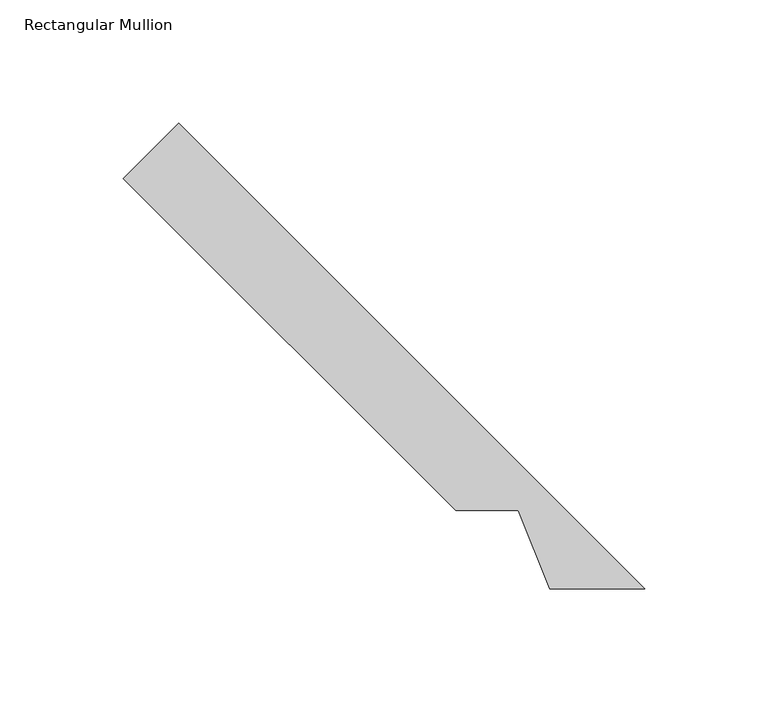
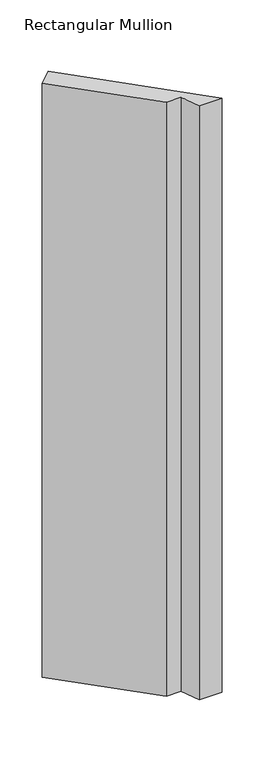
"""IFC4 building model written with IfcOpenShell, lengths in millimetres: member geometry, Rectangular Mullion."""

import ifcopenshell
import ifcopenshell.guid

model = None  # the IFC model being written
_history = None  # IfcOwnerHistory: only IFC2X3 demands one
_inside = {}  # id of a spatial element -> (the spatial element, [elements in it])
_under = {}  # id of a project, library or spatial element -> (it, [spatial elements below it])
_declared = {}  # id of a project -> (the project, [libraries it declares])
_typed = {}  # id of a type object -> (the type object, [elements of that type])
_made_of = {}  # id of a material, layer set ... -> (it, [elements and type objects made of it])


def new_model(schema):
    """Start an empty IFC model of exactly this schema.

    Asked for "IFC4X3", IfcOpenShell would pick the latest addendum, in which some entities
    have other attributes; the version numbers below select the first issue.
    IFC2X3 requires an IfcOwnerHistory on every rooted entity: one is made here for all.
    """
    global model, _history
    if schema == "IFC4X3":
        model = ifcopenshell.file(schema_version=(4, 3, 0, 0))
    else:
        model = ifcopenshell.file(schema=schema)
    _inside.clear()
    _under.clear()
    _declared.clear()
    _typed.clear()
    _made_of.clear()
    _history = None
    if model.schema == "IFC2X3":
        org = make("IfcOrganization", Name="unknown")
        user = make(
            "IfcPersonAndOrganization",
            ThePerson=make("IfcPerson", FamilyName="unknown"),
            TheOrganization=org,
        )
        app = make(
            "IfcApplication",
            ApplicationDeveloper=org,
            Version="unknown",
            ApplicationFullName="unknown",
            ApplicationIdentifier="unknown",
        )
        _history = make(
            "IfcOwnerHistory",
            OwningUser=user,
            OwningApplication=app,
            ChangeAction="ADDED",
            CreationDate=0,
        )
    return model


def make(cls, **values):
    """One entity of the class cls with the attributes given. An attribute that is None is left unset."""
    return model.create_entity(
        cls, **{name: value for name, value in values.items() if value is not None}
    )


def rooted(cls, **values):
    """An entity with a GlobalId (a new one), such as an element, a storey or a relation."""
    return make(cls, GlobalId=ifcopenshell.guid.new(), OwnerHistory=_history, **values)


def si_unit(unit_type, name, prefix=None):
    """IfcSIUnit, for example si_unit("LENGTHUNIT", "METRE", prefix="MILLI")."""
    return make("IfcSIUnit", UnitType=unit_type, Prefix=prefix, Name=name)


def assignment(units):
    """IfcUnitAssignment: the units of a project."""
    return None if units is None else make("IfcUnitAssignment", Units=units)


def point(xyz):
    """IfcCartesianPoint."""
    return None if xyz is None else make("IfcCartesianPoint", Coordinates=xyz)


def direction(xyz):
    """IfcDirection."""
    return None if xyz is None else make("IfcDirection", DirectionRatios=xyz)


def frame(location, z_axis=None, x_axis=None):
    """IfcAxis2Placement3D, a coordinate frame: its origin and axes. An axis left out is left unset."""
    return make(
        "IfcAxis2Placement3D",
        Location=point(location),
        Axis=direction(z_axis),
        RefDirection=direction(x_axis),
    )


def origin():
    """The frame at (0, 0, 0) with its axes left unset."""
    return frame((0.0, 0.0, 0.0))


def place(relative_to, where):
    """IfcLocalPlacement: puts the frame where relative to a parent placement (None: the world)."""
    return make(
        "IfcLocalPlacement", PlacementRelTo=relative_to, RelativePlacement=where
    )


def context(
    kind, dimensions, precision=None, world=None, true_north=None, identifier=None
):
    """IfcGeometricRepresentationContext, for example the 3D "Model" context."""
    return make(
        "IfcGeometricRepresentationContext",
        ContextIdentifier=identifier,
        ContextType=kind,
        CoordinateSpaceDimension=dimensions,
        Precision=precision,
        WorldCoordinateSystem=world,
        TrueNorth=true_north,
    )


def project(units=None, contexts=None):
    """IfcProject with its units and contexts."""
    return rooted(
        "IfcProject",
        Name="project",
        RepresentationContexts=contexts,
        UnitsInContext=assignment(units),
    )


def spatial(cls, under=None, at=None, **own):
    """A site, building, storey or space (cls), placed at a placement, below another one or the project."""
    s = rooted(cls, ObjectPlacement=at, **own)
    if under is not None:
        _under.setdefault(under.id(), (under, []))[1].append(s)
    return s


def polyline(points):
    """IfcPolyline through the points."""
    return make("IfcPolyline", Points=[point(p) for p in points])


def outline(outer, holes=None, kind="AREA"):
    """IfcArbitraryClosedProfileDef: a profile drawn as a closed curve; with holes, ...WithVoids."""
    if holes is None:
        return make("IfcArbitraryClosedProfileDef", ProfileType=kind, OuterCurve=outer)
    return make(
        "IfcArbitraryProfileDefWithVoids",
        ProfileType=kind,
        OuterCurve=outer,
        InnerCurves=holes,
    )


def extrude(swept, where, along, depth):
    """IfcExtrudedAreaSolid: the profile swept, set in the frame where, extruded along a direction by depth."""
    return make(
        "IfcExtrudedAreaSolid",
        SweptArea=swept,
        Position=where,
        ExtrudedDirection=direction(along),
        Depth=depth,
    )


def shape(context_of_items, identifier, shape_type, items):
    """IfcShapeRepresentation: the items that make up one representation, for example the "Body"."""
    return make(
        "IfcShapeRepresentation",
        ContextOfItems=context_of_items,
        RepresentationIdentifier=identifier,
        RepresentationType=shape_type,
        Items=items,
    )


def source(mapping_origin, context_of_items, identifier, shape_type, items):
    """IfcRepresentationMap: a shape defined once, which mapped items show again and again."""
    return make(
        "IfcRepresentationMap",
        MappingOrigin=mapping_origin,
        MappedRepresentation=shape(context_of_items, identifier, shape_type, items),
    )


def transform(
    local_origin,
    x_axis=None,
    y_axis=None,
    z_axis=None,
    scale=None,
    scale2=None,
    scale3=None,
    uniform=True,
):
    """IfcCartesianTransformationOperator3D, or its non-uniform kind. x_axis, y_axis, z_axis: its Axis1, 2, 3."""
    if uniform:
        return make(
            "IfcCartesianTransformationOperator3D",
            Axis1=direction(x_axis),
            Axis2=direction(y_axis),
            LocalOrigin=point(local_origin),
            Scale=scale,
            Axis3=direction(z_axis),
        )
    return make(
        "IfcCartesianTransformationOperator3DnonUniform",
        Axis1=direction(x_axis),
        Axis2=direction(y_axis),
        LocalOrigin=point(local_origin),
        Scale=scale,
        Axis3=direction(z_axis),
        Scale2=scale2,
        Scale3=scale3,
    )


def mapped(mapping_source, mapping_target):
    """IfcMappedItem: shows the shape of a source again, moved by a transform."""
    return make(
        "IfcMappedItem", MappingSource=mapping_source, MappingTarget=mapping_target
    )


def made_of(thing, what):
    """Note that an element or type object is made of a material, layer set ...; save() writes the relation."""
    if what is not None:
        _made_of.setdefault(what.id(), (what, []))[1].append(thing)
    return thing


def element(
    cls,
    number,
    at=None,
    inside=None,
    cuts=None,
    type_object=None,
    material=None,
    context=None,
    identifier="Body",
    shape_type=None,
    held_by="IfcProductDefinitionShape",
    body=None,
    shapes=None,
    **own,
):
    """One element of the class cls, such as IfcWall. Its Tag is "e" and its number.

    at: its placement. inside: the storey or other place that contains it. cuts: it is an
    opening in that element (IfcRelVoidsElement). A single representation is given by context,
    identifier, shape_type and body (its items); several are given by shapes. held_by: the class
    of the entity that holds the representations. save() writes the other relations.
    """
    e = rooted(cls, Tag="e%d" % number, ObjectPlacement=at, **own)
    if body is not None:
        shapes = [shape(context, identifier, shape_type, body)]
    if shapes is not None:
        e.Representation = make(held_by, Representations=shapes)
    if inside is not None:
        _inside.setdefault(inside.id(), (inside, []))[1].append(e)
    if cuts is not None:
        rooted(
            "IfcRelVoidsElement", RelatingBuildingElement=cuts, RelatedOpeningElement=e
        )
    if type_object is not None:
        _typed.setdefault(type_object.id(), (type_object, []))[1].append(e)
    return made_of(e, material)


def aggregate(whole, parts):
    """IfcRelAggregates: a whole, such as a stair, and the parts it consists of."""
    return rooted("IfcRelAggregates", RelatingObject=whole, RelatedObjects=parts)


def save(model, path):
    """Write the relations noted so far, then the file.

    IfcRelAggregates (storeys below a building ...), IfcRelContainedInSpatialStructure (elements
    in a storey), IfcRelDefinesByType, IfcRelAssociatesMaterial and IfcRelDeclares: one each for
    every whole, place, type object, material and project.
    """
    for whole, parts in _under.values():
        aggregate(whole, parts)
    for where, things in _inside.values():
        rooted(
            "IfcRelContainedInSpatialStructure",
            RelatedElements=things,
            RelatingStructure=where,
        )
    for kind, things in _typed.values():
        rooted("IfcRelDefinesByType", RelatedObjects=things, RelatingType=kind)
    for what, things in _made_of.values():
        rooted("IfcRelAssociatesMaterial", RelatedObjects=things, RelatingMaterial=what)
    for by, libraries in _declared.values():
        rooted("IfcRelDeclares", RelatingContext=by, RelatedDefinitions=libraries)
    model.write(path)


def rectangular_mullion_e5b29caa(model_context):
    return source(origin(), model_context, "Body", "SweptSolid", [
        extrude(outline(polyline([(-96.464944, 51.59375), (-231.1687858, 186.2975918), (-208.7181455, 208.7482321), (-19.8136634, 19.84375), (-58.3447889, 19.84375), (-71.0787716, 51.59375), (-96.464944, 51.59375)])), frame((0.0, 0.0, -1074.8264371), z_axis=(0.0, 0.0, 1.0), x_axis=(1.0, 0.0, 0.0)), (0.0, 0.0, 1.0), 1074.8264371),
    ])


if __name__ == "__main__":
    model = new_model("IFC4")
    model_context = context("Model", 3, world=origin())
    ifc_project = project(units=[si_unit("LENGTHUNIT", "METRE", prefix="MILLI")], contexts=[model_context])
    site = spatial("IfcSite", under=ifc_project)
    building = spatial("IfcBuilding", under=site)
    placement = place(None, origin())
    rectangular_mullion_shape = rectangular_mullion_e5b29caa(model_context)
    element("IfcMember", 1, ObjectType="Rectangular Mullion", at=placement, inside=building, context=model_context, shape_type="MappedRepresentation", body=[
        mapped(rectangular_mullion_shape, transform((0.0, 0.0, 0.0), x_axis=(1.0, 0.0, 0.0), y_axis=(0.0, 1.0, 0.0), z_axis=(0.0, 0.0, 1.0))),
    ])
    save(model, "model.ifc")
